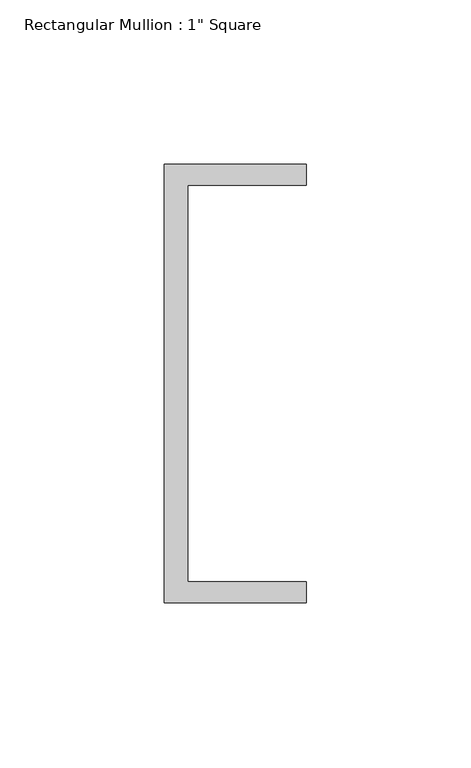
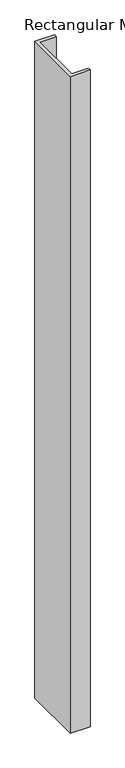
"""IFC4 building model written with IfcOpenShell, lengths in millimetres: member geometry."""

from ifc_helpers import new_model, si_unit, frame, origin, place, context, project, spatial, polyline, outline, extrude, source, transform, mapped, element, save


def member_456e44cb(model_context):
    return source(origin(), model_context, "Body", "SweptSolid", [
        extrude(outline(polyline([(-18.6549463, 135.2608739), (24.5675083, 135.2608739), (24.5675083, 128.9108739), (-11.6110886, 128.9108739), (-11.6110886, 8.2608739), (24.5675083, 8.2608739), (24.5675083, 1.9108739), (-18.6549463, 1.9108739), (-18.6549463, 135.2608739)])), frame((0.0, 0.0, -1513.5665334), z_axis=(0.0, 0.0, 1.0), x_axis=(1.0, 0.0, 0.0)), (0.0, 0.0, 1.0), 1513.5665334),
    ])


if __name__ == "__main__":
    model = new_model("IFC4")
    model_context = context("Model", 3, world=origin())
    ifc_project = project(units=[si_unit("LENGTHUNIT", "METRE", prefix="MILLI")], contexts=[model_context])
    site = spatial("IfcSite", under=ifc_project)
    building = spatial("IfcBuilding", under=site)
    placement = place(None, origin())
    member_shape = member_456e44cb(model_context)
    element("IfcMember", 1, ObjectType="Rectangular Mullion : 1\" Square", at=placement, inside=building, context=model_context, shape_type="MappedRepresentation", body=[
        mapped(member_shape, transform((0.0, 0.0, 0.0), x_axis=(1.0, 0.0, 0.0), y_axis=(0.0, 1.0, 0.0), z_axis=(0.0, 0.0, 1.0))),
    ])
    save(model, "model.ifc")
